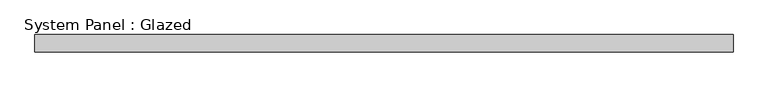
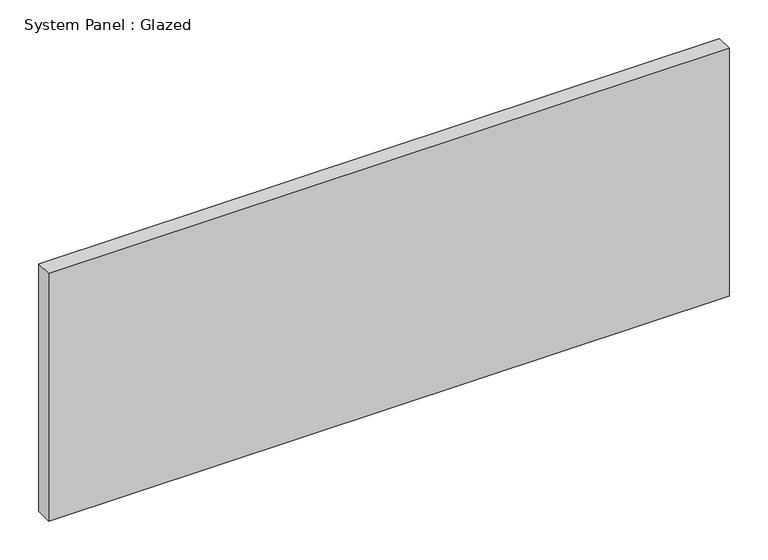
"""IFC4 building model written with IfcOpenShell, lengths in millimetres: plate geometry, System Panel : Glazed."""

from ifc_helpers import new_model, si_unit, origin, origin_with_axes, place, context, project, spatial, polyline, outline, extrude, source, transform, mapped, element, save


def system_panel_glazed_5b381309(model_context):
    return source(origin(), model_context, "Body", "SweptSolid", [
        extrude(outline(polyline([(508.0, -44.45), (-508.0, -44.45), (-508.0, -19.05), (508.0, -19.05), (508.0, -44.45)])), origin_with_axes(), (0.0, 0.0, 1.0), 390.9785714),
    ])


if __name__ == "__main__":
    model = new_model("IFC4")
    model_context = context("Model", 3, world=origin())
    ifc_project = project(units=[si_unit("LENGTHUNIT", "METRE", prefix="MILLI")], contexts=[model_context])
    site = spatial("IfcSite", under=ifc_project)
    building = spatial("IfcBuilding", under=site)
    placement = place(None, origin())
    system_panel_glazed_shape = system_panel_glazed_5b381309(model_context)
    element("IfcPlate", 1, ObjectType="System Panel : Glazed", at=placement, inside=building, context=model_context, shape_type="MappedRepresentation", body=[
        mapped(system_panel_glazed_shape, transform((0.0, 0.0, 0.0), x_axis=(1.0, 0.0, 0.0), y_axis=(0.0, 1.0, 0.0), z_axis=(0.0, 0.0, 1.0))),
    ])
    save(model, "model.ifc")
